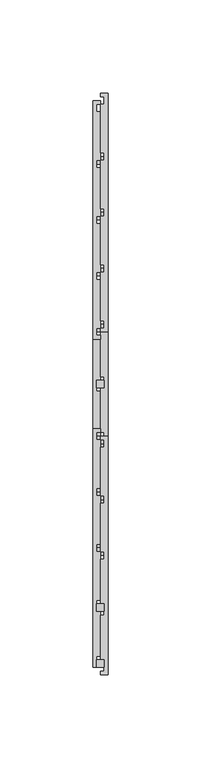
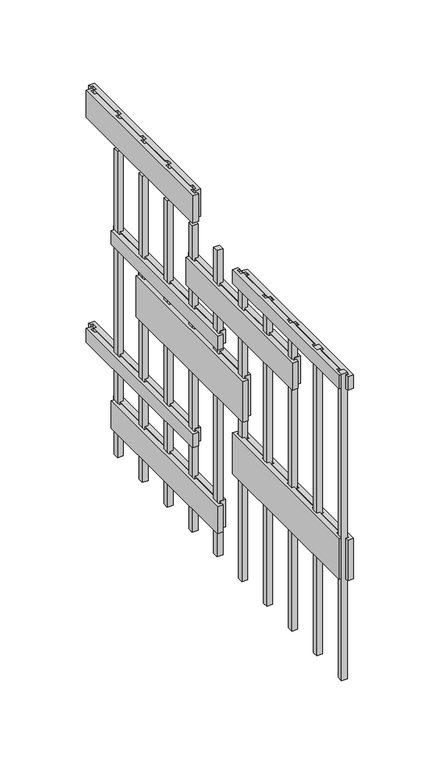
"""IFC4 building model written with IfcOpenShell, lengths in millimetres: proxy geometry."""

from ifc_helpers import new_model, si_unit, frame, origin, origin_with_axes, place, context, project, spatial, polyline, outline, extrude, source, transform, mapped, element, save


def generic_models_08b44ca5(model_context):
    return source(origin(), model_context, "Body", "SweptSolid", [
        extrude(outline(polyline([(2.0, -242.0), (-2.0, -242.0), (-2.0, -238.0), (2.0, -238.0), (2.0, -242.0)])), origin_with_axes(), (0.0, 0.0, 1.0), 225.0),
        extrude(outline(polyline([(2.0, -272.0), (-2.0, -272.0), (-2.0, -268.0), (2.0, -268.0), (2.0, -272.0)])), origin_with_axes(), (0.0, 0.0, 1.0), 225.0),
        extrude(outline(polyline([(4.0, 36.0), (4.0, -92.0), (0.0, -92.0), (0.0, -90.0), (2.0, -90.0), (2.0, -86.0), (0.0, -86.0), (0.0, -60.0), (2.0, -60.0), (2.0, -56.0), (0.0, -56.0), (0.0, -30.0), (2.0, -30.0), (2.0, -26.0), (0.0, -26.0), (0.0, 0.0), (2.0, 0.0), (2.0, 4.0), (0.0, 4.0), (0.0, 30.0), (2.0, 30.0), (2.0, 34.0), (0.0, 34.0), (0.0, 36.0), (4.0, 36.0)])), frame((0.0, 0.0, 65.0), z_axis=(0.0, 0.0, 1.0), x_axis=(1.0, 0.0, 0.0)), (0.0, 0.0, 1.0), 10.0),
        extrude(outline(polyline([(4.0, 6.0), (4.0, -122.0), (0.0, -122.0), (0.0, -120.0), (2.0, -120.0), (2.0, -116.0), (0.0, -116.0), (0.0, -90.0), (2.0, -90.0), (2.0, -86.0), (0.0, -86.0), (0.0, -60.0), (2.0, -60.0), (2.0, -56.0), (0.0, -56.0), (0.0, -30.0), (2.0, -30.0), (2.0, -26.0), (0.0, -26.0), (0.0, 0.0), (2.0, 0.0), (2.0, 4.0), (0.0, 4.0), (0.0, 6.0), (4.0, 6.0)])), frame((0.0, 0.0, 20.0), z_axis=(0.0, 0.0, 1.0), x_axis=(1.0, 0.0, 0.0)), (0.0, 0.0, 1.0), 20.0),
        extrude(outline(polyline([(4.0, -148.0), (4.0, -276.0), (0.0, -276.0), (0.0, -274.0), (2.0, -274.0), (2.0, -270.0), (0.0, -270.0), (0.0, -244.0), (2.0, -244.0), (2.0, -240.0), (0.0, -240.0), (0.0, -214.0), (2.0, -214.0), (2.0, -210.0), (0.0, -210.0), (0.0, -184.0), (2.0, -184.0), (2.0, -180.0), (0.0, -180.0), (0.0, -154.0), (2.0, -154.0), (2.0, -150.0), (0.0, -150.0), (0.0, -148.0), (4.0, -148.0)])), frame((0.0, 0.0, 75.0), z_axis=(0.0, 0.0, 1.0), x_axis=(1.0, 0.0, 0.0)), (0.0, 0.0, 1.0), 30.0),
        extrude(outline(polyline([(4.0, -24.0), (4.0, -152.0), (0.0, -152.0), (0.0, -150.0), (2.0, -150.0), (2.0, -146.0), (0.0, -146.0), (0.0, -120.0), (2.0, -120.0), (2.0, -116.0), (0.0, -116.0), (0.0, -90.0), (2.0, -90.0), (2.0, -86.0), (0.0, -86.0), (0.0, -60.0), (2.0, -60.0), (2.0, -56.0), (0.0, -56.0), (0.0, -30.0), (2.0, -30.0), (2.0, -26.0), (0.0, -26.0), (0.0, -24.0), (4.0, -24.0)])), frame((0.0, 0.0, 120.0), z_axis=(0.0, 0.0, 1.0), x_axis=(1.0, 0.0, 0.0)), (0.0, 0.0, 1.0), 30.0),
        extrude(outline(polyline([(4.0, 6.0), (4.0, -122.0), (0.0, -122.0), (0.0, -120.0), (2.0, -120.0), (2.0, -116.0), (0.0, -116.0), (0.0, -90.0), (2.0, -90.0), (2.0, -86.0), (0.0, -86.0), (0.0, -60.0), (2.0, -60.0), (2.0, -56.0), (0.0, -56.0), (0.0, -30.0), (2.0, -30.0), (2.0, -26.0), (0.0, -26.0), (0.0, 0.0), (2.0, 0.0), (2.0, 4.0), (0.0, 4.0), (0.0, 6.0), (4.0, 6.0)])), frame((0.0, 0.0, 155.0), z_axis=(0.0, 0.0, 1.0), x_axis=(1.0, 0.0, 0.0)), (0.0, 0.0, 1.0), 10.0),
        extrude(outline(polyline([(4.0, -84.0), (4.0, -212.0), (0.0, -212.0), (0.0, -210.0), (2.0, -210.0), (2.0, -206.0), (0.0, -206.0), (0.0, -180.0), (2.0, -180.0), (2.0, -176.0), (0.0, -176.0), (0.0, -150.0), (2.0, -150.0), (2.0, -146.0), (0.0, -146.0), (0.0, -120.0), (2.0, -120.0), (2.0, -116.0), (0.0, -116.0), (0.0, -90.0), (2.0, -90.0), (2.0, -86.0), (0.0, -86.0), (0.0, -84.0), (4.0, -84.0)])), frame((0.0, 0.0, 180.0), z_axis=(0.0, 0.0, 1.0), x_axis=(1.0, 0.0, 0.0)), (0.0, 0.0, 1.0), 20.0),
        extrude(outline(polyline([(4.0, -148.0), (4.0, -276.0), (0.0, -276.0), (0.0, -274.0), (2.0, -274.0), (2.0, -270.0), (0.0, -270.0), (0.0, -244.0), (2.0, -244.0), (2.0, -240.0), (0.0, -240.0), (0.0, -214.0), (2.0, -214.0), (2.0, -210.0), (0.0, -210.0), (0.0, -184.0), (2.0, -184.0), (2.0, -180.0), (0.0, -180.0), (0.0, -154.0), (2.0, -154.0), (2.0, -150.0), (0.0, -150.0), (0.0, -148.0), (4.0, -148.0)])), frame((0.0, 0.0, 215.0), z_axis=(0.0, 0.0, 1.0), x_axis=(1.0, 0.0, 0.0)), (0.0, 0.0, 1.0), 10.0),
        extrude(outline(polyline([(4.0, 36.0), (4.0, -92.0), (0.0, -92.0), (0.0, -90.0), (2.0, -90.0), (2.0, -86.0), (0.0, -86.0), (0.0, -60.0), (2.0, -60.0), (2.0, -56.0), (0.0, -56.0), (0.0, -30.0), (2.0, -30.0), (2.0, -26.0), (0.0, -26.0), (0.0, 0.0), (2.0, 0.0), (2.0, 4.0), (0.0, 4.0), (0.0, 30.0), (2.0, 30.0), (2.0, 34.0), (0.0, 34.0), (0.0, 36.0), (4.0, 36.0)])), frame((0.0, 0.0, 230.0), z_axis=(0.0, 0.0, 1.0), x_axis=(1.0, 0.0, 0.0)), (0.0, 0.0, 1.0), 20.0),
        extrude(outline(polyline([(-4.0, -272.0), (-4.0, -144.0), (0.0, -144.0), (0.0, -146.0), (-2.0, -146.0), (-2.0, -150.0), (0.0, -150.0), (0.0, -176.0), (-2.0, -176.0), (-2.0, -180.0), (0.0, -180.0), (0.0, -206.0), (-2.0, -206.0), (-2.0, -210.0), (0.0, -210.0), (0.0, -236.0), (-2.0, -236.0), (-2.0, -240.0), (0.0, -240.0), (0.0, -266.0), (-2.0, -266.0), (-2.0, -270.0), (0.0, -270.0), (0.0, -272.0), (-4.0, -272.0)])), frame((0.0, 0.0, 215.0), z_axis=(0.0, 0.0, 1.0), x_axis=(1.0, 0.0, 0.0)), (0.0, 0.0, 1.0), 10.0),
        extrude(outline(polyline([(-4.0, -272.0), (-4.0, -144.0), (0.0, -144.0), (0.0, -146.0), (-2.0, -146.0), (-2.0, -150.0), (0.0, -150.0), (0.0, -176.0), (-2.0, -176.0), (-2.0, -180.0), (0.0, -180.0), (0.0, -206.0), (-2.0, -206.0), (-2.0, -210.0), (0.0, -210.0), (0.0, -236.0), (-2.0, -236.0), (-2.0, -240.0), (0.0, -240.0), (0.0, -266.0), (-2.0, -266.0), (-2.0, -270.0), (0.0, -270.0), (0.0, -272.0), (-4.0, -272.0)])), frame((0.0, 0.0, 75.0), z_axis=(0.0, 0.0, 1.0), x_axis=(1.0, 0.0, 0.0)), (0.0, 0.0, 1.0), 30.0),
        extrude(outline(polyline([(-4.0, -96.0), (-4.0, 32.0), (0.0, 32.0), (0.0, 30.0), (-2.0, 30.0), (-2.0, 26.0), (0.0, 26.0), (0.0, 0.0), (-2.0, 0.0), (-2.0, -4.0), (0.0, -4.0), (0.0, -30.0), (-2.0, -30.0), (-2.0, -34.0), (0.0, -34.0), (0.0, -60.0), (-2.0, -60.0), (-2.0, -64.0), (0.0, -64.0), (0.0, -90.0), (-2.0, -90.0), (-2.0, -94.0), (0.0, -94.0), (0.0, -96.0), (-4.0, -96.0)])), frame((0.0, 0.0, 230.0), z_axis=(0.0, 0.0, 1.0), x_axis=(1.0, 0.0, 0.0)), (0.0, 0.0, 1.0), 20.0),
        extrude(outline(polyline([(2.0, -212.0), (-2.0, -212.0), (-2.0, -208.0), (2.0, -208.0), (2.0, -212.0)])), origin_with_axes(), (0.0, 0.0, 1.0), 225.0),
        extrude(outline(polyline([(2.0, -182.0), (-2.0, -182.0), (-2.0, -178.0), (2.0, -178.0), (2.0, -182.0)])), origin_with_axes(), (0.0, 0.0, 1.0), 225.0),
        extrude(outline(polyline([(-4.0, -216.0), (-4.0, -88.0), (0.0, -88.0), (0.0, -90.0), (-2.0, -90.0), (-2.0, -94.0), (0.0, -94.0), (0.0, -120.0), (-2.0, -120.0), (-2.0, -124.0), (0.0, -124.0), (0.0, -150.0), (-2.0, -150.0), (-2.0, -154.0), (0.0, -154.0), (0.0, -180.0), (-2.0, -180.0), (-2.0, -184.0), (0.0, -184.0), (0.0, -210.0), (-2.0, -210.0), (-2.0, -214.0), (0.0, -214.0), (0.0, -216.0), (-4.0, -216.0)])), frame((0.0, 0.0, 180.0), z_axis=(0.0, 0.0, 1.0), x_axis=(1.0, 0.0, 0.0)), (0.0, 0.0, 1.0), 20.0),
        extrude(outline(polyline([(-4.0, -96.0), (-4.0, 32.0), (0.0, 32.0), (0.0, 30.0), (-2.0, 30.0), (-2.0, 26.0), (0.0, 26.0), (0.0, 0.0), (-2.0, 0.0), (-2.0, -4.0), (0.0, -4.0), (0.0, -30.0), (-2.0, -30.0), (-2.0, -34.0), (0.0, -34.0), (0.0, -60.0), (-2.0, -60.0), (-2.0, -64.0), (0.0, -64.0), (0.0, -90.0), (-2.0, -90.0), (-2.0, -94.0), (0.0, -94.0), (0.0, -96.0), (-4.0, -96.0)])), frame((0.0, 0.0, 65.0), z_axis=(0.0, 0.0, 1.0), x_axis=(1.0, 0.0, 0.0)), (0.0, 0.0, 1.0), 10.0),
        extrude(outline(polyline([(-4.0, -126.0), (-4.0, 2.0), (0.0, 2.0), (0.0, 0.0), (-2.0, 0.0), (-2.0, -4.0), (0.0, -4.0), (0.0, -30.0), (-2.0, -30.0), (-2.0, -34.0), (0.0, -34.0), (0.0, -60.0), (-2.0, -60.0), (-2.0, -64.0), (0.0, -64.0), (0.0, -90.0), (-2.0, -90.0), (-2.0, -94.0), (0.0, -94.0), (0.0, -120.0), (-2.0, -120.0), (-2.0, -124.0), (0.0, -124.0), (0.0, -126.0), (-4.0, -126.0)])), frame((0.0, 0.0, 20.0), z_axis=(0.0, 0.0, 1.0), x_axis=(1.0, 0.0, 0.0)), (0.0, 0.0, 1.0), 20.0),
        extrude(outline(polyline([(-4.0, -156.0), (-4.0, -28.0), (0.0, -28.0), (0.0, -30.0), (-2.0, -30.0), (-2.0, -34.0), (0.0, -34.0), (0.0, -60.0), (-2.0, -60.0), (-2.0, -64.0), (0.0, -64.0), (0.0, -90.0), (-2.0, -90.0), (-2.0, -94.0), (0.0, -94.0), (0.0, -120.0), (-2.0, -120.0), (-2.0, -124.0), (0.0, -124.0), (0.0, -150.0), (-2.0, -150.0), (-2.0, -154.0), (0.0, -154.0), (0.0, -156.0), (-4.0, -156.0)])), frame((0.0, 0.0, 120.0), z_axis=(0.0, 0.0, 1.0), x_axis=(1.0, 0.0, 0.0)), (0.0, 0.0, 1.0), 30.0),
        extrude(outline(polyline([(-4.0, -126.0), (-4.0, 2.0), (0.0, 2.0), (0.0, 0.0), (-2.0, 0.0), (-2.0, -4.0), (0.0, -4.0), (0.0, -30.0), (-2.0, -30.0), (-2.0, -34.0), (0.0, -34.0), (0.0, -60.0), (-2.0, -60.0), (-2.0, -64.0), (0.0, -64.0), (0.0, -90.0), (-2.0, -90.0), (-2.0, -94.0), (0.0, -94.0), (0.0, -120.0), (-2.0, -120.0), (-2.0, -124.0), (0.0, -124.0), (0.0, -126.0), (-4.0, -126.0)])), frame((0.0, 0.0, 155.0), z_axis=(0.0, 0.0, 1.0), x_axis=(1.0, 0.0, 0.0)), (0.0, 0.0, 1.0), 10.0),
        extrude(outline(polyline([(2.0, -148.0), (2.0, -152.0), (-2.0, -152.0), (-2.0, -148.0), (2.0, -148.0)])), origin_with_axes(), (0.0, 0.0, 1.0), 225.0),
        extrude(outline(polyline([(2.0, -118.0), (2.0, -122.0), (-2.0, -122.0), (-2.0, -118.0), (2.0, -118.0)])), origin_with_axes(), (0.0, 0.0, 1.0), 225.0),
        extrude(outline(polyline([(2.0, -88.0), (2.0, -92.0), (-2.0, -92.0), (-2.0, -88.0), (2.0, -88.0)])), origin_with_axes(), (0.0, 0.0, 1.0), 225.0),
        extrude(outline(polyline([(2.0, -58.0), (2.0, -62.0), (-2.0, -62.0), (-2.0, -58.0), (2.0, -58.0)])), origin_with_axes(), (0.0, 0.0, 1.0), 225.0),
        extrude(outline(polyline([(2.0, -28.0), (2.0, -32.0), (-2.0, -32.0), (-2.0, -28.0), (2.0, -28.0)])), origin_with_axes(), (0.0, 0.0, 1.0), 225.0),
        extrude(outline(polyline([(2.0, 2.0), (2.0, -2.0), (-2.0, -2.0), (-2.0, 2.0), (2.0, 2.0)])), origin_with_axes(), (0.0, 0.0, 1.0), 225.0),
    ])


if __name__ == "__main__":
    model = new_model("IFC4")
    model_context = context("Model", 3, world=origin())
    ifc_project = project(units=[si_unit("LENGTHUNIT", "METRE", prefix="MILLI")], contexts=[model_context])
    site = spatial("IfcSite", under=ifc_project)
    building = spatial("IfcBuilding", under=site)
    placement = place(None, origin())
    generic_models_shape = generic_models_08b44ca5(model_context)
    element("IfcBuildingElementProxy", 1, Name="Generic Models", at=placement, inside=building, context=model_context, shape_type="MappedRepresentation", body=[
        mapped(generic_models_shape, transform((0.0, 0.0, 0.0), x_axis=(1.0, 0.0, 0.0), y_axis=(0.0, 1.0, 0.0), z_axis=(0.0, 0.0, 1.0))),
    ])
    save(model, "model.ifc")
